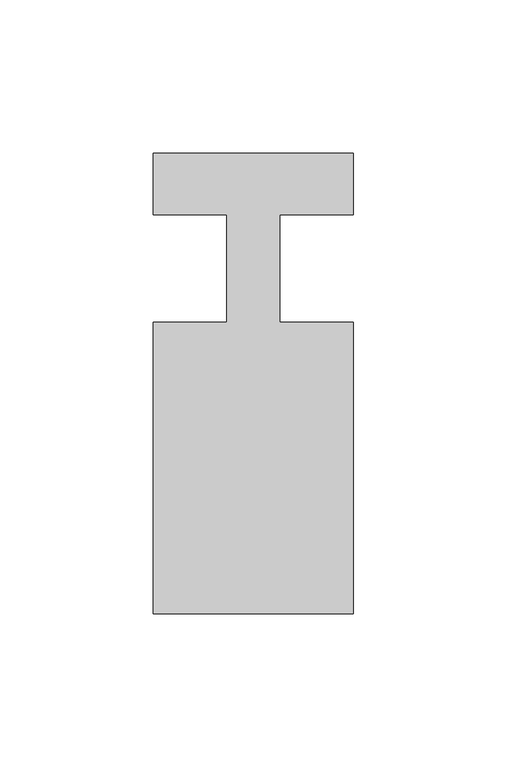
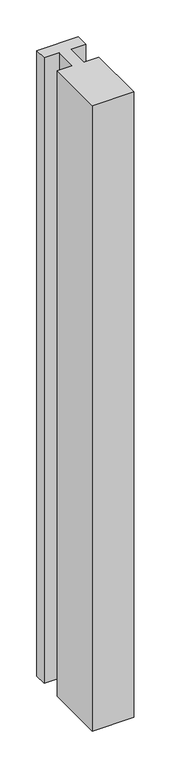
"""IFC4 building model written with IfcOpenShell, lengths in millimetres: member geometry."""

from ifc_helpers import new_model, si_unit, frame, origin, place, context, project, spatial, polyline, outline, extrude, source, transform, mapped, element, save


def member_c81bdecf(model_context):
    return source(origin(), model_context, "Body", "SweptSolid", [
        extrude(outline(polyline([(0.0, 37.0), (0.0, 17.0), (-23.8125, 17.0), (-23.8125, -18.0), (0.0, -18.0), (0.0, -113.0), (-65.0, -113.0), (-65.0, -18.0), (-41.1875, -18.0), (-41.1875, 17.0), (-65.0, 17.0), (-65.0, 37.0), (0.0, 37.0)])), frame((0.0, 0.0, -1034.8125), z_axis=(0.0, 0.0, 1.0), x_axis=(1.0, 0.0, 0.0)), (0.0, 0.0, 1.0), 1034.8125),
    ])


if __name__ == "__main__":
    model = new_model("IFC4")
    model_context = context("Model", 3, world=origin())
    ifc_project = project(units=[si_unit("LENGTHUNIT", "METRE", prefix="MILLI")], contexts=[model_context])
    site = spatial("IfcSite", under=ifc_project)
    building = spatial("IfcBuilding", under=site)
    placement = place(None, origin())
    member_shape = member_c81bdecf(model_context)
    element("IfcMember", 1, at=placement, inside=building, context=model_context, shape_type="MappedRepresentation", body=[
        mapped(member_shape, transform((0.0, 0.0, 0.0), x_axis=(1.0, 0.0, 0.0), y_axis=(0.0, 1.0, 0.0), z_axis=(0.0, 0.0, 1.0))),
    ])
    save(model, "model.ifc")
